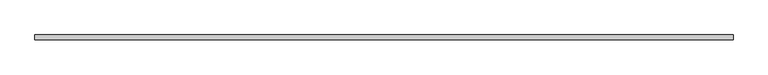
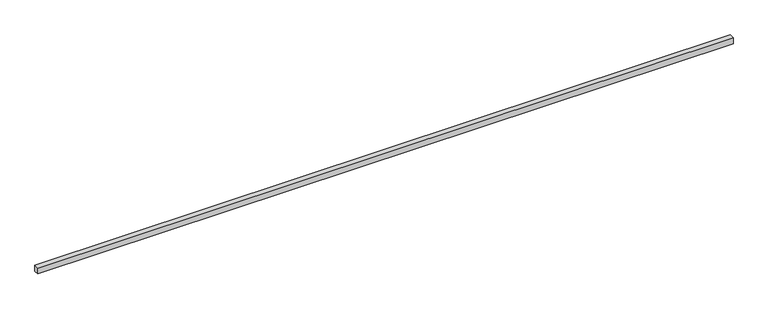
"""IFC4 building model written with IfcOpenShell, lengths in millimetres: proxy geometry."""

from ifc_helpers import new_model, si_unit, origin, origin_with_axes, place, context, project, spatial, polyline, outline, extrude, source, transform, mapped, element, save


def generic_models_6fcb9784(model_context):
    return source(origin(), model_context, "Body", "SweptSolid", [
        extrude(outline(polyline([(11080.0, -40.0), (0.0, -40.0), (0.0, 40.0), (11080.0, 40.0), (11080.0, -40.0)])), origin_with_axes(), (0.0, 0.0, 1.0), 100.0),
    ])


if __name__ == "__main__":
    model = new_model("IFC4")
    model_context = context("Model", 3, world=origin())
    ifc_project = project(units=[si_unit("LENGTHUNIT", "METRE", prefix="MILLI")], contexts=[model_context])
    site = spatial("IfcSite", under=ifc_project)
    building = spatial("IfcBuilding", under=site)
    placement = place(None, origin())
    generic_models_shape = generic_models_6fcb9784(model_context)
    element("IfcBuildingElementProxy", 1, Name="Generic Models", at=placement, inside=building, context=model_context, shape_type="MappedRepresentation", body=[
        mapped(generic_models_shape, transform((0.0, 0.0, 0.0), x_axis=(1.0, 0.0, 0.0), y_axis=(0.0, 1.0, 0.0), z_axis=(0.0, 0.0, 1.0))),
    ])
    save(model, "model.ifc")
